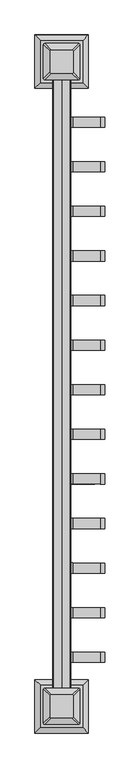
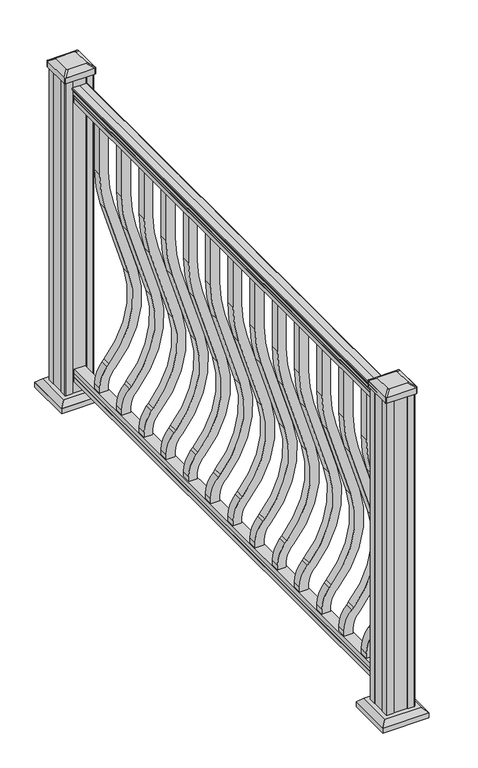
"""IFC4 building model written with IfcOpenShell, lengths in millimetres: railing geometry."""

from ifc_helpers import new_model, si_unit, point, frame, frame_2d, origin, origin_with_axes, place, context, project, spatial, polyline, circle_curve, trimmed, segment, composite_curve, outline, extrude, faceted_brep, source, transform, mapped, element, save
from ifc_brep_helpers import plane_surface, extruded_surface, advanced_brep


def railing_49c89a2a(model_context):
    return source(origin(), model_context, "Body", "SolidModel", [
        extrude(outline(composite_curve([segment(trimmed(circle_curve(frame_2d((32282.6291943, 938.4043297)), 1.2869144), [point((32283.9161087, 938.4043297))], [point((32281.3422799, 938.4043297))], False, "CARTESIAN"), True, "CONTINUOUS"), segment(polyline([(32281.3422799, 938.4043297), (32281.3422799, 927.747013), (32282.3582799, 926.731013), (32282.3582799, 914.4), (32250.6082799, 914.4), (32250.6082799, 926.8888283), (32251.6242799, 927.9048283), (32251.6242799, 938.4043297)]), True, "CONTINUOUS"), segment(trimmed(circle_curve(frame_2d((32250.3373655, 938.4043297)), 1.2869144), [point((32251.6242799, 938.4043297))], [point((32249.0504512, 938.4043297))], False, "CARTESIAN"), True, "CONTINUOUS"), segment(polyline([(32249.0504512, 938.4043297), (32249.0504512, 940.292412)]), True, "CONTINUOUS"), segment(trimmed(circle_curve(frame_2d((32255.3652045, 946.0506383)), 8.545951), [point((32249.0504512, 940.292412))], [point((32247.9202649, 941.8546695))], False, "CARTESIAN"), True, "CONTINUOUS"), segment(trimmed(circle_curve(frame_2d((32254.9281415, 945.4636577)), 7.882584), [point((32247.9202649, 941.8546695))], [point((32247.9202649, 949.0726458))], False, "CARTESIAN"), True, "CONTINUOUS"), segment(trimmed(circle_curve(frame_2d((32244.4148174, 951.3112527)), 4.1592695), [point((32247.9202649, 949.0726458))], [point((32248.5695213, 951.5060812))], True, "CARTESIAN"), True, "CONTINUOUS"), segment(trimmed(circle_curve(frame_2d((32243.1275108, 951.2508864)), 5.4479907), [point((32248.5695213, 951.5060812))], [point((32246.0695213, 955.8362083))], True, "CARTESIAN"), True, "CONTINUOUS"), segment(trimmed(circle_curve(frame_2d((32244.3606693, 955.833395)), 1.7088543), [point((32246.0695213, 955.8362083))], [point((32244.6601788, 957.5157972))], True, "CARTESIAN"), True, "CONTINUOUS"), segment(trimmed(circle_curve(frame_2d((32245.9775693, 958.6205318)), 1.7192895), [point((32244.6601788, 957.5157972))], [point((32244.2582798, 958.6205318))], False, "CARTESIAN"), True, "CONTINUOUS"), segment(polyline([(32244.2582798, 958.6205318), (32244.2582799, 959.9608158)]), True, "CONTINUOUS"), segment(trimmed(circle_curve(frame_2d((32245.8117272, 959.9608158)), 1.5534472), [point((32244.2582799, 959.9608158))], [point((32245.8117272, 961.514263))], False, "CARTESIAN"), True, "CONTINUOUS"), segment(polyline([(32245.8117272, 961.514263), (32266.4832799, 961.514263), (32287.1548327, 961.514263)]), True, "CONTINUOUS"), segment(trimmed(circle_curve(frame_2d((32287.1548327, 959.9608158)), 1.5534472), [point((32287.1548327, 961.514263))], [point((32288.7082799, 959.9608158))], False, "CARTESIAN"), True, "CONTINUOUS"), segment(polyline([(32288.7082799, 959.9608158), (32288.7082799, 958.6205318)]), True, "CONTINUOUS"), segment(trimmed(circle_curve(frame_2d((32286.9889905, 958.6205318)), 1.7192895), [point((32288.7082799, 958.6205318))], [point((32288.306381, 957.5157972))], False, "CARTESIAN"), True, "CONTINUOUS"), segment(trimmed(circle_curve(frame_2d((32288.6058906, 955.833395)), 1.7088543), [point((32288.306381, 957.5157972))], [point((32286.8970385, 955.8362083))], True, "CARTESIAN"), True, "CONTINUOUS"), segment(trimmed(circle_curve(frame_2d((32289.839049, 951.2508864)), 5.4479907), [point((32286.8970385, 955.8362083))], [point((32284.3970385, 951.5060812))], True, "CARTESIAN"), True, "CONTINUOUS"), segment(trimmed(circle_curve(frame_2d((32288.5517425, 951.3112527)), 4.1592695), [point((32284.3970385, 951.5060812))], [point((32285.046295, 949.0726458))], True, "CARTESIAN"), True, "CONTINUOUS"), segment(trimmed(circle_curve(frame_2d((32278.0384183, 945.4636577)), 7.882584), [point((32285.046295, 949.0726458))], [point((32285.046295, 941.8546695))], False, "CARTESIAN"), True, "CONTINUOUS"), segment(trimmed(circle_curve(frame_2d((32277.6013554, 946.0506383)), 8.545951), [point((32285.046295, 941.8546695))], [point((32283.9161087, 940.292412))], False, "CARTESIAN"), True, "CONTINUOUS"), segment(polyline([(32283.9161087, 940.292412), (32283.9161087, 938.4043297)]), True, "CONTINUOUS")], self_intersect=False)), frame((0.0, 28266.5887445, 0.0), z_axis=(0.0, -1.0, 0.0), x_axis=(1.0, 0.0, 0.0)), (0.0, 0.0, 1.0), 1524.0),
        extrude(outline(polyline([(76.0541976, 32282.3957668), (77.3546183, 32281.3797668), (87.7141717, 32281.3797668), (89.0624492, 32282.3957668), (101.5958781, 32282.3957668), (101.5958781, 32250.6457668), (89.0458024, 32250.6457668), (87.6975248, 32251.6617668), (77.3858283, 32251.6617668), (76.0375508, 32250.6457668), (63.5, 32250.6457668), (63.5, 32282.3957668), (76.0541976, 32282.3957668)])), frame((0.0, 26742.5887445, 0.0), z_axis=(0.0, 1.0, 0.0), x_axis=(0.0, 0.0, 1.0)), (0.0, 0.0, 1.0), 1524.0),
        extrude(outline(composite_curve([segment(polyline([(768.63216, 32279.1832799), (914.4, 32279.1832799), (914.4, 32253.7832799), (768.63216, 32253.7832799)]), True, "CONTINUOUS"), segment(trimmed(circle_curve(frame_2d((768.63216, 32626.4832799)), 372.7), [point((768.63216, 32253.7832799))], [point((659.6652257, 32270.0684974))], False, "CARTESIAN"), True, "CONTINUOUS"), segment(polyline([(659.6652257, 32270.0684974), (437.8121964, 32337.8957752)]), True, "CONTINUOUS"), segment(trimmed(circle_curve(frame_2d((359.6612397, 32082.2755139)), 267.3), [point((437.8121964, 32337.8957752))], [point((181.5522516, 32281.5905368))], True, "CARTESIAN"), True, "CONTINUOUS"), segment(polyline([(181.5522516, 32281.5905368), (175.3955374, 32276.0888635)]), True, "CONTINUOUS"), segment(trimmed(circle_curve(frame_2d((116.9587313, 32341.4832799)), 87.7), [point((175.3955374, 32276.0888635))], [point((116.9587313, 32253.7832799))], False, "CARTESIAN"), True, "CONTINUOUS"), segment(polyline([(116.9587313, 32253.7832799), (101.5958781, 32253.7832799), (101.5958781, 32279.1832799), (116.9587313, 32279.1832799)]), True, "CONTINUOUS"), segment(trimmed(circle_curve(frame_2d((116.9587313, 32341.4832799)), 62.3), [point((116.9587313, 32279.1832799))], [point((158.4708524, 32295.0286375))], True, "CARTESIAN"), True, "CONTINUOUS"), segment(polyline([(158.4708524, 32295.0286375), (164.6275666, 32300.5303107)]), True, "CONTINUOUS"), segment(trimmed(circle_curve(frame_2d((359.6612397, 32082.2755139)), 292.7), [point((164.6275666, 32300.5303107))], [point((445.2384377, 32362.185916))], False, "CARTESIAN"), True, "CONTINUOUS"), segment(polyline([(445.2384377, 32362.185916), (667.091467, 32294.3586382)]), True, "CONTINUOUS"), segment(trimmed(circle_curve(frame_2d((768.63216, 32626.4832799)), 347.3), [point((667.091467, 32294.3586382))], [point((768.63216, 32279.1832799))], True, "CARTESIAN"), True, "CONTINUOUS")], self_intersect=False)), frame((0.0, 28144.3512445, 0.0), z_axis=(0.0, 1.0, 0.0), x_axis=(0.0, 0.0, 1.0)), (0.0, 0.0, 1.0), 25.4),
        extrude(outline(composite_curve([segment(polyline([(768.63216, 32279.1832799), (914.4, 32279.1832799), (914.4, 32253.7832799), (768.63216, 32253.7832799)]), True, "CONTINUOUS"), segment(trimmed(circle_curve(frame_2d((768.63216, 32626.4832799)), 372.7), [point((768.63216, 32253.7832799))], [point((659.6652257, 32270.0684974))], False, "CARTESIAN"), True, "CONTINUOUS"), segment(polyline([(659.6652257, 32270.0684974), (437.8121964, 32337.8957752)]), True, "CONTINUOUS"), segment(trimmed(circle_curve(frame_2d((359.6612397, 32082.2755139)), 267.3), [point((437.8121964, 32337.8957752))], [point((181.5522516, 32281.5905368))], True, "CARTESIAN"), True, "CONTINUOUS"), segment(polyline([(181.5522516, 32281.5905368), (175.3955374, 32276.0888635)]), True, "CONTINUOUS"), segment(trimmed(circle_curve(frame_2d((116.9587313, 32341.4832799)), 87.7), [point((175.3955374, 32276.0888635))], [point((116.9587313, 32253.7832799))], False, "CARTESIAN"), True, "CONTINUOUS"), segment(polyline([(116.9587313, 32253.7832799), (101.5958781, 32253.7832799), (101.5958781, 32279.1832799), (116.9587313, 32279.1832799)]), True, "CONTINUOUS"), segment(trimmed(circle_curve(frame_2d((116.9587313, 32341.4832799)), 62.3), [point((116.9587313, 32279.1832799))], [point((158.4708524, 32295.0286375))], True, "CARTESIAN"), True, "CONTINUOUS"), segment(polyline([(158.4708524, 32295.0286375), (164.6275666, 32300.5303107)]), True, "CONTINUOUS"), segment(trimmed(circle_curve(frame_2d((359.6612397, 32082.2755139)), 292.7), [point((164.6275666, 32300.5303107))], [point((445.2384377, 32362.185916))], False, "CARTESIAN"), True, "CONTINUOUS"), segment(polyline([(445.2384377, 32362.185916), (667.091467, 32294.3586382)]), True, "CONTINUOUS"), segment(trimmed(circle_curve(frame_2d((768.63216, 32626.4832799)), 347.3), [point((667.091467, 32294.3586382))], [point((768.63216, 32279.1832799))], True, "CARTESIAN"), True, "CONTINUOUS")], self_intersect=False)), frame((0.0, 28033.2262445, 0.0), z_axis=(0.0, 1.0, 0.0), x_axis=(0.0, 0.0, 1.0)), (0.0, 0.0, 1.0), 25.4),
        extrude(outline(composite_curve([segment(polyline([(768.63216, 32279.1832799), (914.4, 32279.1832799), (914.4, 32253.7832799), (768.63216, 32253.7832799)]), True, "CONTINUOUS"), segment(trimmed(circle_curve(frame_2d((768.63216, 32626.4832799)), 372.7), [point((768.63216, 32253.7832799))], [point((659.6652257, 32270.0684974))], False, "CARTESIAN"), True, "CONTINUOUS"), segment(polyline([(659.6652257, 32270.0684974), (437.8121964, 32337.8957752)]), True, "CONTINUOUS"), segment(trimmed(circle_curve(frame_2d((359.6612397, 32082.2755139)), 267.3), [point((437.8121964, 32337.8957752))], [point((181.5522516, 32281.5905368))], True, "CARTESIAN"), True, "CONTINUOUS"), segment(polyline([(181.5522516, 32281.5905368), (175.3955374, 32276.0888635)]), True, "CONTINUOUS"), segment(trimmed(circle_curve(frame_2d((116.9587313, 32341.4832799)), 87.7), [point((175.3955374, 32276.0888635))], [point((116.9587313, 32253.7832799))], False, "CARTESIAN"), True, "CONTINUOUS"), segment(polyline([(116.9587313, 32253.7832799), (101.5958781, 32253.7832799), (101.5958781, 32279.1832799), (116.9587313, 32279.1832799)]), True, "CONTINUOUS"), segment(trimmed(circle_curve(frame_2d((116.9587313, 32341.4832799)), 62.3), [point((116.9587313, 32279.1832799))], [point((158.4708524, 32295.0286375))], True, "CARTESIAN"), True, "CONTINUOUS"), segment(polyline([(158.4708524, 32295.0286375), (164.6275666, 32300.5303107)]), True, "CONTINUOUS"), segment(trimmed(circle_curve(frame_2d((359.6612397, 32082.2755139)), 292.7), [point((164.6275666, 32300.5303107))], [point((445.2384377, 32362.185916))], False, "CARTESIAN"), True, "CONTINUOUS"), segment(polyline([(445.2384377, 32362.185916), (667.091467, 32294.3586382)]), True, "CONTINUOUS"), segment(trimmed(circle_curve(frame_2d((768.63216, 32626.4832799)), 347.3), [point((667.091467, 32294.3586382))], [point((768.63216, 32279.1832799))], True, "CARTESIAN"), True, "CONTINUOUS")], self_intersect=False)), frame((0.0, 27922.1012445, 0.0), z_axis=(0.0, 1.0, 0.0), x_axis=(0.0, 0.0, 1.0)), (0.0, 0.0, 1.0), 25.4),
        extrude(outline(composite_curve([segment(polyline([(768.63216, 32279.1832799), (914.4, 32279.1832799), (914.4, 32253.7832799), (768.63216, 32253.7832799)]), True, "CONTINUOUS"), segment(trimmed(circle_curve(frame_2d((768.63216, 32626.4832799)), 372.7), [point((768.63216, 32253.7832799))], [point((659.6652257, 32270.0684974))], False, "CARTESIAN"), True, "CONTINUOUS"), segment(polyline([(659.6652257, 32270.0684974), (437.8121964, 32337.8957752)]), True, "CONTINUOUS"), segment(trimmed(circle_curve(frame_2d((359.6612397, 32082.2755139)), 267.3), [point((437.8121964, 32337.8957752))], [point((181.5522516, 32281.5905368))], True, "CARTESIAN"), True, "CONTINUOUS"), segment(polyline([(181.5522516, 32281.5905368), (175.3955374, 32276.0888635)]), True, "CONTINUOUS"), segment(trimmed(circle_curve(frame_2d((116.9587313, 32341.4832799)), 87.7), [point((175.3955374, 32276.0888635))], [point((116.9587313, 32253.7832799))], False, "CARTESIAN"), True, "CONTINUOUS"), segment(polyline([(116.9587313, 32253.7832799), (101.5958781, 32253.7832799), (101.5958781, 32279.1832799), (116.9587313, 32279.1832799)]), True, "CONTINUOUS"), segment(trimmed(circle_curve(frame_2d((116.9587313, 32341.4832799)), 62.3), [point((116.9587313, 32279.1832799))], [point((158.4708524, 32295.0286375))], True, "CARTESIAN"), True, "CONTINUOUS"), segment(polyline([(158.4708524, 32295.0286375), (164.6275666, 32300.5303107)]), True, "CONTINUOUS"), segment(trimmed(circle_curve(frame_2d((359.6612397, 32082.2755139)), 292.7), [point((164.6275666, 32300.5303107))], [point((445.2384377, 32362.185916))], False, "CARTESIAN"), True, "CONTINUOUS"), segment(polyline([(445.2384377, 32362.185916), (667.091467, 32294.3586382)]), True, "CONTINUOUS"), segment(trimmed(circle_curve(frame_2d((768.63216, 32626.4832799)), 347.3), [point((667.091467, 32294.3586382))], [point((768.63216, 32279.1832799))], True, "CARTESIAN"), True, "CONTINUOUS")], self_intersect=False)), frame((0.0, 27810.9762445, 0.0), z_axis=(0.0, 1.0, 0.0), x_axis=(0.0, 0.0, 1.0)), (0.0, 0.0, 1.0), 25.4),
        extrude(outline(composite_curve([segment(polyline([(768.63216, 32279.1832799), (914.4, 32279.1832799), (914.4, 32253.7832799), (768.63216, 32253.7832799)]), True, "CONTINUOUS"), segment(trimmed(circle_curve(frame_2d((768.63216, 32626.4832799)), 372.7), [point((768.63216, 32253.7832799))], [point((659.6652257, 32270.0684974))], False, "CARTESIAN"), True, "CONTINUOUS"), segment(polyline([(659.6652257, 32270.0684974), (437.8121964, 32337.8957752)]), True, "CONTINUOUS"), segment(trimmed(circle_curve(frame_2d((359.6612397, 32082.2755139)), 267.3), [point((437.8121964, 32337.8957752))], [point((181.5522516, 32281.5905368))], True, "CARTESIAN"), True, "CONTINUOUS"), segment(polyline([(181.5522516, 32281.5905368), (175.3955374, 32276.0888635)]), True, "CONTINUOUS"), segment(trimmed(circle_curve(frame_2d((116.9587313, 32341.4832799)), 87.7), [point((175.3955374, 32276.0888635))], [point((116.9587313, 32253.7832799))], False, "CARTESIAN"), True, "CONTINUOUS"), segment(polyline([(116.9587313, 32253.7832799), (101.5958781, 32253.7832799), (101.5958781, 32279.1832799), (116.9587313, 32279.1832799)]), True, "CONTINUOUS"), segment(trimmed(circle_curve(frame_2d((116.9587313, 32341.4832799)), 62.3), [point((116.9587313, 32279.1832799))], [point((158.4708524, 32295.0286375))], True, "CARTESIAN"), True, "CONTINUOUS"), segment(polyline([(158.4708524, 32295.0286375), (164.6275666, 32300.5303107)]), True, "CONTINUOUS"), segment(trimmed(circle_curve(frame_2d((359.6612397, 32082.2755139)), 292.7), [point((164.6275666, 32300.5303107))], [point((445.2384377, 32362.185916))], False, "CARTESIAN"), True, "CONTINUOUS"), segment(polyline([(445.2384377, 32362.185916), (667.091467, 32294.3586382)]), True, "CONTINUOUS"), segment(trimmed(circle_curve(frame_2d((768.63216, 32626.4832799)), 347.3), [point((667.091467, 32294.3586382))], [point((768.63216, 32279.1832799))], True, "CARTESIAN"), True, "CONTINUOUS")], self_intersect=False)), frame((0.0, 27699.8512445, 0.0), z_axis=(0.0, 1.0, 0.0), x_axis=(0.0, 0.0, 1.0)), (0.0, 0.0, 1.0), 25.4),
        extrude(outline(composite_curve([segment(polyline([(768.63216, 32279.1832799), (914.4, 32279.1832799), (914.4, 32253.7832799), (768.63216, 32253.7832799)]), True, "CONTINUOUS"), segment(trimmed(circle_curve(frame_2d((768.63216, 32626.4832799)), 372.7), [point((768.63216, 32253.7832799))], [point((659.6652257, 32270.0684974))], False, "CARTESIAN"), True, "CONTINUOUS"), segment(polyline([(659.6652257, 32270.0684974), (437.8121964, 32337.8957752)]), True, "CONTINUOUS"), segment(trimmed(circle_curve(frame_2d((359.6612397, 32082.2755139)), 267.3), [point((437.8121964, 32337.8957752))], [point((181.5522516, 32281.5905368))], True, "CARTESIAN"), True, "CONTINUOUS"), segment(polyline([(181.5522516, 32281.5905368), (175.3955374, 32276.0888635)]), True, "CONTINUOUS"), segment(trimmed(circle_curve(frame_2d((116.9587313, 32341.4832799)), 87.7), [point((175.3955374, 32276.0888635))], [point((116.9587313, 32253.7832799))], False, "CARTESIAN"), True, "CONTINUOUS"), segment(polyline([(116.9587313, 32253.7832799), (101.5958781, 32253.7832799), (101.5958781, 32279.1832799), (116.9587313, 32279.1832799)]), True, "CONTINUOUS"), segment(trimmed(circle_curve(frame_2d((116.9587313, 32341.4832799)), 62.3), [point((116.9587313, 32279.1832799))], [point((158.4708524, 32295.0286375))], True, "CARTESIAN"), True, "CONTINUOUS"), segment(polyline([(158.4708524, 32295.0286375), (164.6275666, 32300.5303107)]), True, "CONTINUOUS"), segment(trimmed(circle_curve(frame_2d((359.6612397, 32082.2755139)), 292.7), [point((164.6275666, 32300.5303107))], [point((445.2384377, 32362.185916))], False, "CARTESIAN"), True, "CONTINUOUS"), segment(polyline([(445.2384377, 32362.185916), (667.091467, 32294.3586382)]), True, "CONTINUOUS"), segment(trimmed(circle_curve(frame_2d((768.63216, 32626.4832799)), 347.3), [point((667.091467, 32294.3586382))], [point((768.63216, 32279.1832799))], True, "CARTESIAN"), True, "CONTINUOUS")], self_intersect=False)), frame((0.0, 27588.7262445, 0.0), z_axis=(0.0, 1.0, 0.0), x_axis=(0.0, 0.0, 1.0)), (0.0, 0.0, 1.0), 25.4),
        extrude(outline(composite_curve([segment(polyline([(768.63216, 32279.1832799), (914.4, 32279.1832799), (914.4, 32253.7832799), (768.63216, 32253.7832799)]), True, "CONTINUOUS"), segment(trimmed(circle_curve(frame_2d((768.63216, 32626.4832799)), 372.7), [point((768.63216, 32253.7832799))], [point((659.6652257, 32270.0684974))], False, "CARTESIAN"), True, "CONTINUOUS"), segment(polyline([(659.6652257, 32270.0684974), (437.8121964, 32337.8957752)]), True, "CONTINUOUS"), segment(trimmed(circle_curve(frame_2d((359.6612397, 32082.2755139)), 267.3), [point((437.8121964, 32337.8957752))], [point((181.5522516, 32281.5905368))], True, "CARTESIAN"), True, "CONTINUOUS"), segment(polyline([(181.5522516, 32281.5905368), (175.3955374, 32276.0888635)]), True, "CONTINUOUS"), segment(trimmed(circle_curve(frame_2d((116.9587313, 32341.4832799)), 87.7), [point((175.3955374, 32276.0888635))], [point((116.9587313, 32253.7832799))], False, "CARTESIAN"), True, "CONTINUOUS"), segment(polyline([(116.9587313, 32253.7832799), (101.5958781, 32253.7832799), (101.5958781, 32279.1832799), (116.9587313, 32279.1832799)]), True, "CONTINUOUS"), segment(trimmed(circle_curve(frame_2d((116.9587313, 32341.4832799)), 62.3), [point((116.9587313, 32279.1832799))], [point((158.4708524, 32295.0286375))], True, "CARTESIAN"), True, "CONTINUOUS"), segment(polyline([(158.4708524, 32295.0286375), (164.6275666, 32300.5303107)]), True, "CONTINUOUS"), segment(trimmed(circle_curve(frame_2d((359.6612397, 32082.2755139)), 292.7), [point((164.6275666, 32300.5303107))], [point((445.2384377, 32362.185916))], False, "CARTESIAN"), True, "CONTINUOUS"), segment(polyline([(445.2384377, 32362.185916), (667.091467, 32294.3586382)]), True, "CONTINUOUS"), segment(trimmed(circle_curve(frame_2d((768.63216, 32626.4832799)), 347.3), [point((667.091467, 32294.3586382))], [point((768.63216, 32279.1832799))], True, "CARTESIAN"), True, "CONTINUOUS")], self_intersect=False)), frame((0.0, 27477.6012445, 0.0), z_axis=(0.0, 1.0, 0.0), x_axis=(0.0, 0.0, 1.0)), (0.0, 0.0, 1.0), 25.4),
        extrude(outline(composite_curve([segment(polyline([(768.63216, 32279.1832799), (914.4, 32279.1832799), (914.4, 32253.7832799), (768.63216, 32253.7832799)]), True, "CONTINUOUS"), segment(trimmed(circle_curve(frame_2d((768.63216, 32626.4832799)), 372.7), [point((768.63216, 32253.7832799))], [point((659.6652257, 32270.0684974))], False, "CARTESIAN"), True, "CONTINUOUS"), segment(polyline([(659.6652257, 32270.0684974), (437.8121964, 32337.8957752)]), True, "CONTINUOUS"), segment(trimmed(circle_curve(frame_2d((359.6612397, 32082.2755139)), 267.3), [point((437.8121964, 32337.8957752))], [point((181.5522516, 32281.5905368))], True, "CARTESIAN"), True, "CONTINUOUS"), segment(polyline([(181.5522516, 32281.5905368), (175.3955374, 32276.0888635)]), True, "CONTINUOUS"), segment(trimmed(circle_curve(frame_2d((116.9587313, 32341.4832799)), 87.7), [point((175.3955374, 32276.0888635))], [point((116.9587313, 32253.7832799))], False, "CARTESIAN"), True, "CONTINUOUS"), segment(polyline([(116.9587313, 32253.7832799), (101.5958781, 32253.7832799), (101.5958781, 32279.1832799), (116.9587313, 32279.1832799)]), True, "CONTINUOUS"), segment(trimmed(circle_curve(frame_2d((116.9587313, 32341.4832799)), 62.3), [point((116.9587313, 32279.1832799))], [point((158.4708524, 32295.0286375))], True, "CARTESIAN"), True, "CONTINUOUS"), segment(polyline([(158.4708524, 32295.0286375), (164.6275666, 32300.5303107)]), True, "CONTINUOUS"), segment(trimmed(circle_curve(frame_2d((359.6612397, 32082.2755139)), 292.7), [point((164.6275666, 32300.5303107))], [point((445.2384377, 32362.185916))], False, "CARTESIAN"), True, "CONTINUOUS"), segment(polyline([(445.2384377, 32362.185916), (667.091467, 32294.3586382)]), True, "CONTINUOUS"), segment(trimmed(circle_curve(frame_2d((768.63216, 32626.4832799)), 347.3), [point((667.091467, 32294.3586382))], [point((768.63216, 32279.1832799))], True, "CARTESIAN"), True, "CONTINUOUS")], self_intersect=False)), frame((0.0, 27366.4762445, 0.0), z_axis=(0.0, 1.0, 0.0), x_axis=(0.0, 0.0, 1.0)), (0.0, 0.0, 1.0), 25.4),
        extrude(outline(composite_curve([segment(polyline([(768.63216, 32279.1832799), (914.4, 32279.1832799), (914.4, 32253.7832799), (768.63216, 32253.7832799)]), True, "CONTINUOUS"), segment(trimmed(circle_curve(frame_2d((768.63216, 32626.4832799)), 372.7), [point((768.63216, 32253.7832799))], [point((659.6652257, 32270.0684974))], False, "CARTESIAN"), True, "CONTINUOUS"), segment(polyline([(659.6652257, 32270.0684974), (437.8121964, 32337.8957752)]), True, "CONTINUOUS"), segment(trimmed(circle_curve(frame_2d((359.6612397, 32082.2755139)), 267.3), [point((437.8121964, 32337.8957752))], [point((181.5522516, 32281.5905368))], True, "CARTESIAN"), True, "CONTINUOUS"), segment(polyline([(181.5522516, 32281.5905368), (175.3955374, 32276.0888635)]), True, "CONTINUOUS"), segment(trimmed(circle_curve(frame_2d((116.9587313, 32341.4832799)), 87.7), [point((175.3955374, 32276.0888635))], [point((116.9587313, 32253.7832799))], False, "CARTESIAN"), True, "CONTINUOUS"), segment(polyline([(116.9587313, 32253.7832799), (101.5958781, 32253.7832799), (101.5958781, 32279.1832799), (116.9587313, 32279.1832799)]), True, "CONTINUOUS"), segment(trimmed(circle_curve(frame_2d((116.9587313, 32341.4832799)), 62.3), [point((116.9587313, 32279.1832799))], [point((158.4708524, 32295.0286375))], True, "CARTESIAN"), True, "CONTINUOUS"), segment(polyline([(158.4708524, 32295.0286375), (164.6275666, 32300.5303107)]), True, "CONTINUOUS"), segment(trimmed(circle_curve(frame_2d((359.6612397, 32082.2755139)), 292.7), [point((164.6275666, 32300.5303107))], [point((445.2384377, 32362.185916))], False, "CARTESIAN"), True, "CONTINUOUS"), segment(polyline([(445.2384377, 32362.185916), (667.091467, 32294.3586382)]), True, "CONTINUOUS"), segment(trimmed(circle_curve(frame_2d((768.63216, 32626.4832799)), 347.3), [point((667.091467, 32294.3586382))], [point((768.63216, 32279.1832799))], True, "CARTESIAN"), True, "CONTINUOUS")], self_intersect=False)), frame((0.0, 27255.3512445, 0.0), z_axis=(0.0, 1.0, 0.0), x_axis=(0.0, 0.0, 1.0)), (0.0, 0.0, 1.0), 25.4),
        extrude(outline(composite_curve([segment(polyline([(768.63216, 32279.1832799), (914.4, 32279.1832799), (914.4, 32253.7832799), (768.63216, 32253.7832799)]), True, "CONTINUOUS"), segment(trimmed(circle_curve(frame_2d((768.63216, 32626.4832799)), 372.7), [point((768.63216, 32253.7832799))], [point((659.6652257, 32270.0684974))], False, "CARTESIAN"), True, "CONTINUOUS"), segment(polyline([(659.6652257, 32270.0684974), (437.8121964, 32337.8957752)]), True, "CONTINUOUS"), segment(trimmed(circle_curve(frame_2d((359.6612397, 32082.2755139)), 267.3), [point((437.8121964, 32337.8957752))], [point((181.5522516, 32281.5905368))], True, "CARTESIAN"), True, "CONTINUOUS"), segment(polyline([(181.5522516, 32281.5905368), (175.3955374, 32276.0888635)]), True, "CONTINUOUS"), segment(trimmed(circle_curve(frame_2d((116.9587313, 32341.4832799)), 87.7), [point((175.3955374, 32276.0888635))], [point((116.9587313, 32253.7832799))], False, "CARTESIAN"), True, "CONTINUOUS"), segment(polyline([(116.9587313, 32253.7832799), (101.5958781, 32253.7832799), (101.5958781, 32279.1832799), (116.9587313, 32279.1832799)]), True, "CONTINUOUS"), segment(trimmed(circle_curve(frame_2d((116.9587313, 32341.4832799)), 62.3), [point((116.9587313, 32279.1832799))], [point((158.4708524, 32295.0286375))], True, "CARTESIAN"), True, "CONTINUOUS"), segment(polyline([(158.4708524, 32295.0286375), (164.6275666, 32300.5303107)]), True, "CONTINUOUS"), segment(trimmed(circle_curve(frame_2d((359.6612397, 32082.2755139)), 292.7), [point((164.6275666, 32300.5303107))], [point((445.2384377, 32362.185916))], False, "CARTESIAN"), True, "CONTINUOUS"), segment(polyline([(445.2384377, 32362.185916), (667.091467, 32294.3586382)]), True, "CONTINUOUS"), segment(trimmed(circle_curve(frame_2d((768.63216, 32626.4832799)), 347.3), [point((667.091467, 32294.3586382))], [point((768.63216, 32279.1832799))], True, "CARTESIAN"), True, "CONTINUOUS")], self_intersect=False)), frame((0.0, 27144.2262445, 0.0), z_axis=(0.0, 1.0, 0.0), x_axis=(0.0, 0.0, 1.0)), (0.0, 0.0, 1.0), 25.4),
        extrude(outline(composite_curve([segment(polyline([(768.63216, 32279.1832799), (914.4, 32279.1832799), (914.4, 32253.7832799), (768.63216, 32253.7832799)]), True, "CONTINUOUS"), segment(trimmed(circle_curve(frame_2d((768.63216, 32626.4832799)), 372.7), [point((768.63216, 32253.7832799))], [point((659.6652257, 32270.0684974))], False, "CARTESIAN"), True, "CONTINUOUS"), segment(polyline([(659.6652257, 32270.0684974), (437.8121964, 32337.8957752)]), True, "CONTINUOUS"), segment(trimmed(circle_curve(frame_2d((359.6612397, 32082.2755139)), 267.3), [point((437.8121964, 32337.8957752))], [point((181.5522516, 32281.5905368))], True, "CARTESIAN"), True, "CONTINUOUS"), segment(polyline([(181.5522516, 32281.5905368), (175.3955374, 32276.0888635)]), True, "CONTINUOUS"), segment(trimmed(circle_curve(frame_2d((116.9587313, 32341.4832799)), 87.7), [point((175.3955374, 32276.0888635))], [point((116.9587313, 32253.7832799))], False, "CARTESIAN"), True, "CONTINUOUS"), segment(polyline([(116.9587313, 32253.7832799), (101.5958781, 32253.7832799), (101.5958781, 32279.1832799), (116.9587313, 32279.1832799)]), True, "CONTINUOUS"), segment(trimmed(circle_curve(frame_2d((116.9587313, 32341.4832799)), 62.3), [point((116.9587313, 32279.1832799))], [point((158.4708524, 32295.0286375))], True, "CARTESIAN"), True, "CONTINUOUS"), segment(polyline([(158.4708524, 32295.0286375), (164.6275666, 32300.5303107)]), True, "CONTINUOUS"), segment(trimmed(circle_curve(frame_2d((359.6612397, 32082.2755139)), 292.7), [point((164.6275666, 32300.5303107))], [point((445.2384377, 32362.185916))], False, "CARTESIAN"), True, "CONTINUOUS"), segment(polyline([(445.2384377, 32362.185916), (667.091467, 32294.3586382)]), True, "CONTINUOUS"), segment(trimmed(circle_curve(frame_2d((768.63216, 32626.4832799)), 347.3), [point((667.091467, 32294.3586382))], [point((768.63216, 32279.1832799))], True, "CARTESIAN"), True, "CONTINUOUS")], self_intersect=False)), frame((0.0, 27033.1012445, 0.0), z_axis=(0.0, 1.0, 0.0), x_axis=(0.0, 0.0, 1.0)), (0.0, 0.0, 1.0), 25.4),
        extrude(outline(composite_curve([segment(polyline([(768.63216, 32279.1832799), (914.4, 32279.1832799), (914.4, 32253.7832799), (768.63216, 32253.7832799)]), True, "CONTINUOUS"), segment(trimmed(circle_curve(frame_2d((768.63216, 32626.4832799)), 372.7), [point((768.63216, 32253.7832799))], [point((659.6652257, 32270.0684974))], False, "CARTESIAN"), True, "CONTINUOUS"), segment(polyline([(659.6652257, 32270.0684974), (437.8121964, 32337.8957752)]), True, "CONTINUOUS"), segment(trimmed(circle_curve(frame_2d((359.6612397, 32082.2755139)), 267.3), [point((437.8121964, 32337.8957752))], [point((181.5522516, 32281.5905368))], True, "CARTESIAN"), True, "CONTINUOUS"), segment(polyline([(181.5522516, 32281.5905368), (175.3955374, 32276.0888635)]), True, "CONTINUOUS"), segment(trimmed(circle_curve(frame_2d((116.9587313, 32341.4832799)), 87.7), [point((175.3955374, 32276.0888635))], [point((116.9587313, 32253.7832799))], False, "CARTESIAN"), True, "CONTINUOUS"), segment(polyline([(116.9587313, 32253.7832799), (101.5958781, 32253.7832799), (101.5958781, 32279.1832799), (116.9587313, 32279.1832799)]), True, "CONTINUOUS"), segment(trimmed(circle_curve(frame_2d((116.9587313, 32341.4832799)), 62.3), [point((116.9587313, 32279.1832799))], [point((158.4708524, 32295.0286375))], True, "CARTESIAN"), True, "CONTINUOUS"), segment(polyline([(158.4708524, 32295.0286375), (164.6275666, 32300.5303107)]), True, "CONTINUOUS"), segment(trimmed(circle_curve(frame_2d((359.6612397, 32082.2755139)), 292.7), [point((164.6275666, 32300.5303107))], [point((445.2384377, 32362.185916))], False, "CARTESIAN"), True, "CONTINUOUS"), segment(polyline([(445.2384377, 32362.185916), (667.091467, 32294.3586382)]), True, "CONTINUOUS"), segment(trimmed(circle_curve(frame_2d((768.63216, 32626.4832799)), 347.3), [point((667.091467, 32294.3586382))], [point((768.63216, 32279.1832799))], True, "CARTESIAN"), True, "CONTINUOUS")], self_intersect=False)), frame((0.0, 26921.9762445, 0.0), z_axis=(0.0, 1.0, 0.0), x_axis=(0.0, 0.0, 1.0)), (0.0, 0.0, 1.0), 25.4),
        extrude(outline(composite_curve([segment(polyline([(768.63216, 32279.1832799), (914.4, 32279.1832799), (914.4, 32253.7832799), (768.63216, 32253.7832799)]), True, "CONTINUOUS"), segment(trimmed(circle_curve(frame_2d((768.63216, 32626.4832799)), 372.7), [point((768.63216, 32253.7832799))], [point((659.6652257, 32270.0684974))], False, "CARTESIAN"), True, "CONTINUOUS"), segment(polyline([(659.6652257, 32270.0684974), (437.8121964, 32337.8957752)]), True, "CONTINUOUS"), segment(trimmed(circle_curve(frame_2d((359.6612397, 32082.2755139)), 267.3), [point((437.8121964, 32337.8957752))], [point((181.5522516, 32281.5905368))], True, "CARTESIAN"), True, "CONTINUOUS"), segment(polyline([(181.5522516, 32281.5905368), (175.3955374, 32276.0888635)]), True, "CONTINUOUS"), segment(trimmed(circle_curve(frame_2d((116.9587313, 32341.4832799)), 87.7), [point((175.3955374, 32276.0888635))], [point((116.9587313, 32253.7832799))], False, "CARTESIAN"), True, "CONTINUOUS"), segment(polyline([(116.9587313, 32253.7832799), (101.5958781, 32253.7832799), (101.5958781, 32279.1832799), (116.9587313, 32279.1832799)]), True, "CONTINUOUS"), segment(trimmed(circle_curve(frame_2d((116.9587313, 32341.4832799)), 62.3), [point((116.9587313, 32279.1832799))], [point((158.4708524, 32295.0286375))], True, "CARTESIAN"), True, "CONTINUOUS"), segment(polyline([(158.4708524, 32295.0286375), (164.6275666, 32300.5303107)]), True, "CONTINUOUS"), segment(trimmed(circle_curve(frame_2d((359.6612397, 32082.2755139)), 292.7), [point((164.6275666, 32300.5303107))], [point((445.2384377, 32362.185916))], False, "CARTESIAN"), True, "CONTINUOUS"), segment(polyline([(445.2384377, 32362.185916), (667.091467, 32294.3586382)]), True, "CONTINUOUS"), segment(trimmed(circle_curve(frame_2d((768.63216, 32626.4832799)), 347.3), [point((667.091467, 32294.3586382))], [point((768.63216, 32279.1832799))], True, "CARTESIAN"), True, "CONTINUOUS")], self_intersect=False)), frame((0.0, 26810.8512445, 0.0), z_axis=(0.0, 1.0, 0.0), x_axis=(0.0, 0.0, 1.0)), (0.0, 0.0, 1.0), 25.4),
        faceted_brep([(32319.0692174, 28255.277807, 28.575), (32319.0692174, 28360.449682, 28.575), (32213.8973424, 28360.449682, 28.575), (32213.8973424, 28255.277807, 28.575), (32333.1086705, 28241.2383539, 15.24), (32199.8578893, 28241.2383539, 15.24), (32199.8578893, 28374.4891351, 15.24), (32333.1086705, 28374.4891351, 15.24)], [[[0, 1, 2, 3]], [[4, 5, 6, 7]], [[4, 0, 3, 5]], [[5, 3, 2, 6]], [[6, 2, 1, 7]], [[7, 1, 0, 4]]]),
        extrude(outline(polyline([(32333.1086705, 28241.2383539), (32199.8578893, 28241.2383539), (32199.8578893, 28374.4891351), (32333.1086705, 28374.4891351), (32333.1086705, 28241.2383539)])), origin_with_axes(), (0.0, 0.0, 1.0), 15.24),
        advanced_brep(
        [(32240.6864049, 28278.8918695, 1012.825), (32292.2801549, 28278.8918695, 1012.825), (32295.4551549, 28282.0668695, 1012.825), (32295.4551549, 28333.6606195, 1012.825), (32292.2801549, 28336.8356195, 1012.825), (32240.6864049, 28336.8356195, 1012.825), (32237.5114049, 28333.6606195, 1012.825), (32237.5114049, 28282.0668695, 1012.825), (32224.4145299, 28262.6199945, 1001.522), (32221.2395299, 28265.7949945, 1001.522), (32221.2395299, 28349.9324945, 1001.522), (32224.4145299, 28353.1074945, 1001.522), (32308.5520299, 28353.1074945, 1001.522), (32311.7270299, 28349.9324945, 1001.522), (32311.7270299, 28265.7949945, 1001.522), (32308.5520299, 28262.6199945, 1001.522)],
        [
            (0, 1),
            (1, 2, circle_curve(frame((32292.2801549, 28282.0668695, 1012.825), z_axis=(0.0, 0.0, 1.0), x_axis=(0.0, 1.0, 0.0)), 3.175)),
            (2, 3),
            (3, 4, circle_curve(frame((32292.2801549, 28333.6606195, 1012.825), z_axis=(0.0, 0.0, 1.0), x_axis=(0.0, 1.0, 0.0)), 3.175)),
            (4, 5),
            (5, 6, circle_curve(frame((32240.6864049, 28333.6606195, 1012.825), z_axis=(0.0, 0.0, 1.0), x_axis=(0.0, 1.0, 0.0)), 3.175)),
            (6, 7),
            (7, 0, circle_curve(frame((32240.6864049, 28282.0668695, 1012.825), z_axis=(0.0, 0.0, 1.0), x_axis=(0.0, 1.0, 0.0)), 3.175)),
            (8, 9, circle_curve(frame((32224.4145299, 28265.7949945, 1001.522), z_axis=(0.0, 0.0, -1.0), x_axis=(0.0, 1.0, 0.0)), 3.175)),
            (9, 10),
            (10, 11, circle_curve(frame((32224.4145299, 28349.9324945, 1001.522), z_axis=(0.0, 0.0, -1.0), x_axis=(0.0, 1.0, 0.0)), 3.175)),
            (11, 12),
            (12, 13, circle_curve(frame((32308.5520299, 28349.9324945, 1001.522), z_axis=(0.0, 0.0, -1.0), x_axis=(0.0, 1.0, 0.0)), 3.175)),
            (13, 14),
            (14, 15, circle_curve(frame((32308.5520299, 28265.7949945, 1001.522), z_axis=(0.0, 0.0, -1.0), x_axis=(0.0, 1.0, 0.0)), 3.175)),
            (15, 8),
            (8, 0),
            (7, 9),
            (6, 10),
            (5, 11),
            (4, 12),
            (3, 13),
            (2, 14),
            (1, 15),
        ],
        [
            plane_surface(frame((32266.4832799, 28307.8637445, 1012.825), z_axis=(0.0, 0.0, 1.0), x_axis=(-1.0, 0.0, 0.0))),
            plane_surface(frame((32266.4832799, 28307.8637445, 1001.522), z_axis=(0.0, 0.0, -1.0), x_axis=(-1.0, 0.0, 0.0))),
            extruded_surface(trimmed(circle_curve(frame((32240.6864049, 28282.0668695, 1012.825), z_axis=(0.0, 0.0, -1.0), x_axis=(0.0, 1.0, 0.0)), 3.175), [point((32240.6864049, 28278.8918695, 1012.825))], [point((32237.5114049, 28282.0668695, 1012.825))], True, "CARTESIAN"), (-16.271874999998545, -16.271874999998545, -11.302999999999997), 25.637972638864316),
            plane_surface(frame((32221.2395299, 28307.8637445, 1001.522), z_axis=(-0.5705009161540779, 0.0, 0.8212969649690408), x_axis=(0.0, 1.0, 0.0))),
            extruded_surface(trimmed(circle_curve(frame((32240.6864049, 28333.6606195, 1012.825), z_axis=(0.0, 0.0, -1.0), x_axis=(0.0, 1.0, 0.0)), 3.175), [point((32237.5114049, 28333.6606195, 1012.825))], [point((32240.6864049, 28336.8356195, 1012.825))], True, "CARTESIAN"), (-16.271874999998545, 16.271875000002183, -11.302999999999997), 25.63797263886662),
            plane_surface(frame((32266.4832799, 28353.1074945, 1001.522), z_axis=(0.0, 0.5705009161540291, 0.8212969649690747), x_axis=(1.0, 0.0, 0.0))),
            extruded_surface(trimmed(circle_curve(frame((32292.2801549, 28333.6606195, 1012.825), z_axis=(0.0, 0.0, -1.0), x_axis=(0.0, 1.0, 0.0)), 3.175), [point((32292.2801549, 28336.8356195, 1012.825))], [point((32295.4551549, 28333.6606195, 1012.825))], True, "CARTESIAN"), (16.271875000002183, 16.271875000002183, -11.302999999999997), 25.637972638868934),
            plane_surface(frame((32311.7270299, 28307.8637445, 1001.522), z_axis=(0.5705009161540141, 0.0, 0.8212969649690851), x_axis=(0.0, -1.0, 0.0))),
            extruded_surface(trimmed(circle_curve(frame((32292.2801549, 28282.0668695, 1012.825), z_axis=(0.0, 0.0, -1.0), x_axis=(0.0, 1.0, 0.0)), 3.175), [point((32295.4551549, 28282.0668695, 1012.825))], [point((32292.2801549, 28278.8918695, 1012.825))], True, "CARTESIAN"), (16.271875000002183, -16.271874999998545, -11.302999999999997), 25.63797263886662),
            plane_surface(frame((32266.4832799, 28262.6199945, 1001.522), z_axis=(0.0, -0.570500916154034, 0.8212969649690713), x_axis=(-1.0, 0.0, 0.0))),
        ],
        [
            (0, [[1, 2, 3, 4, 5, 6, 7, 8]]),
            (1, [[9, 10, 11, 12, 13, 14, 15, 16]]),
            (2, [[17, -8, 18, -9]]),
            (3, [[-18, -7, 19, -10]]),
            (4, [[-19, -6, 20, -11]]),
            (5, [[-20, -5, 21, -12]]),
            (6, [[-21, -4, 22, -13]]),
            (7, [[-22, -3, 23, -14]]),
            (8, [[-23, -2, 24, -15]]),
            (9, [[-24, -1, -17, -16]]),
        ],
    ),
        extrude(outline(composite_curve([segment(trimmed(circle_curve(frame_2d((32224.4145299, 28265.7949945)), 3.175), [point((32224.4145299, 28262.6199945))], [point((32221.2395299, 28265.7949945))], False, "CARTESIAN"), True, "CONTINUOUS"), segment(polyline([(32221.2395299, 28265.7949945), (32221.2395299, 28349.9324945)]), True, "CONTINUOUS"), segment(trimmed(circle_curve(frame_2d((32224.4145299, 28349.9324945)), 3.175), [point((32221.2395299, 28349.9324945))], [point((32224.4145299, 28353.1074945))], False, "CARTESIAN"), True, "CONTINUOUS"), segment(polyline([(32224.4145299, 28353.1074945), (32308.5520299, 28353.1074945)]), True, "CONTINUOUS"), segment(trimmed(circle_curve(frame_2d((32308.5520299, 28349.9324945)), 3.175), [point((32308.5520299, 28353.1074945))], [point((32311.7270299, 28349.9324945))], False, "CARTESIAN"), True, "CONTINUOUS"), segment(polyline([(32311.7270299, 28349.9324945), (32311.7270299, 28265.7949945)]), True, "CONTINUOUS"), segment(trimmed(circle_curve(frame_2d((32308.5520299, 28265.7949945)), 3.175), [point((32311.7270299, 28265.7949945))], [point((32308.5520299, 28262.6199945))], False, "CARTESIAN"), True, "CONTINUOUS"), segment(polyline([(32308.5520299, 28262.6199945), (32224.4145299, 28262.6199945)]), True, "CONTINUOUS")], self_intersect=False)), frame((0.0, 0.0, 984.25), z_axis=(0.0, 0.0, 1.0), x_axis=(1.0, 0.0, 0.0)), (0.0, 0.0, 1.0), 17.272),
        extrude(outline(polyline([(32226.7957799, 28266.5887445), (32225.2082799, 28268.1762445), (32225.2082799, 28287.7977445), (32226.7957799, 28288.5597445), (32226.7957799, 28327.1677445), (32225.2082799, 28327.9297445), (32225.2082799, 28347.5512445), (32226.7957799, 28349.1387445), (32246.4172799, 28349.1387445), (32247.1792799, 28347.5512445), (32285.7872799, 28347.5512445), (32286.5492799, 28349.1387445), (32306.1707799, 28349.1387445), (32307.7582799, 28347.5512445), (32307.7582799, 28327.9297445), (32306.1707799, 28327.1677445), (32306.1707799, 28288.5597445), (32307.7582799, 28287.7977445), (32307.7582799, 28268.1762445), (32306.1707799, 28266.5887445), (32286.5492799, 28266.5887445), (32285.7872799, 28268.1762445), (32247.1792799, 28268.1762445), (32246.4172799, 28266.5887445), (32226.7957799, 28266.5887445)])), origin_with_axes(), (0.0, 0.0, 1.0), 984.25),
        faceted_brep([(32319.0692174, 26648.727807, 28.575), (32319.0692174, 26753.899682, 28.575), (32213.8973424, 26753.899682, 28.575), (32213.8973424, 26648.727807, 28.575), (32333.1086705, 26634.6883539, 15.24), (32199.8578893, 26634.6883539, 15.24), (32199.8578893, 26767.9391351, 15.24), (32333.1086705, 26767.9391351, 15.24)], [[[0, 1, 2, 3]], [[4, 5, 6, 7]], [[4, 0, 3, 5]], [[5, 3, 2, 6]], [[6, 2, 1, 7]], [[7, 1, 0, 4]]]),
        extrude(outline(polyline([(32333.1086705, 26634.6883539), (32199.8578893, 26634.6883539), (32199.8578893, 26767.9391351), (32333.1086705, 26767.9391351), (32333.1086705, 26634.6883539)])), origin_with_axes(), (0.0, 0.0, 1.0), 15.24),
        advanced_brep(
        [(32240.6864049, 26672.3418695, 1012.825), (32292.2801549, 26672.3418695, 1012.825), (32295.4551549, 26675.5168695, 1012.825), (32295.4551549, 26727.1106195, 1012.825), (32292.2801549, 26730.2856195, 1012.825), (32240.6864049, 26730.2856195, 1012.825), (32237.5114049, 26727.1106195, 1012.825), (32237.5114049, 26675.5168695, 1012.825), (32224.4145299, 26656.0699945, 1001.522), (32221.2395299, 26659.2449945, 1001.522), (32221.2395299, 26743.3824945, 1001.522), (32224.4145299, 26746.5574945, 1001.522), (32308.5520299, 26746.5574945, 1001.522), (32311.7270299, 26743.3824945, 1001.522), (32311.7270299, 26659.2449945, 1001.522), (32308.5520299, 26656.0699945, 1001.522)],
        [
            (0, 1),
            (1, 2, circle_curve(frame((32292.2801549, 26675.5168695, 1012.825), z_axis=(0.0, 0.0, 1.0), x_axis=(0.0, 1.0, 0.0)), 3.175)),
            (2, 3),
            (3, 4, circle_curve(frame((32292.2801549, 26727.1106195, 1012.825), z_axis=(0.0, 0.0, 1.0), x_axis=(0.0, 1.0, 0.0)), 3.175)),
            (4, 5),
            (5, 6, circle_curve(frame((32240.6864049, 26727.1106195, 1012.825), z_axis=(0.0, 0.0, 1.0), x_axis=(0.0, 1.0, 0.0)), 3.175)),
            (6, 7),
            (7, 0, circle_curve(frame((32240.6864049, 26675.5168695, 1012.825), z_axis=(0.0, 0.0, 1.0), x_axis=(0.0, 1.0, 0.0)), 3.175)),
            (8, 9, circle_curve(frame((32224.4145299, 26659.2449945, 1001.522), z_axis=(0.0, 0.0, -1.0), x_axis=(0.0, 1.0, 0.0)), 3.175)),
            (9, 10),
            (10, 11, circle_curve(frame((32224.4145299, 26743.3824945, 1001.522), z_axis=(0.0, 0.0, -1.0), x_axis=(0.0, 1.0, 0.0)), 3.175)),
            (11, 12),
            (12, 13, circle_curve(frame((32308.5520299, 26743.3824945, 1001.522), z_axis=(0.0, 0.0, -1.0), x_axis=(0.0, 1.0, 0.0)), 3.175)),
            (13, 14),
            (14, 15, circle_curve(frame((32308.5520299, 26659.2449945, 1001.522), z_axis=(0.0, 0.0, -1.0), x_axis=(0.0, 1.0, 0.0)), 3.175)),
            (15, 8),
            (8, 0),
            (7, 9),
            (6, 10),
            (5, 11),
            (4, 12),
            (3, 13),
            (2, 14),
            (1, 15),
        ],
        [
            plane_surface(frame((32266.4832799, 26701.3137445, 1012.825), z_axis=(0.0, 0.0, 1.0), x_axis=(-1.0, 0.0, 0.0))),
            plane_surface(frame((32266.4832799, 26701.3137445, 1001.522), z_axis=(0.0, 0.0, -1.0), x_axis=(-1.0, 0.0, 0.0))),
            extruded_surface(trimmed(circle_curve(frame((32240.6864049, 26675.5168695, 1012.825), z_axis=(0.0, 0.0, -1.0), x_axis=(0.0, 1.0, 0.0)), 3.175), [point((32240.6864049, 26672.3418695, 1012.825))], [point((32237.5114049, 26675.5168695, 1012.825))], True, "CARTESIAN"), (-16.271874999998545, -16.271874999998545, -11.302999999999997), 25.637972638864316),
            plane_surface(frame((32221.2395299, 26701.3137445, 1001.522), z_axis=(-0.5705009161540779, 0.0, 0.8212969649690408), x_axis=(0.0, 1.0, 0.0))),
            extruded_surface(trimmed(circle_curve(frame((32240.6864049, 26727.1106195, 1012.825), z_axis=(0.0, 0.0, -1.0), x_axis=(0.0, 1.0, 0.0)), 3.175), [point((32237.5114049, 26727.1106195, 1012.825))], [point((32240.6864049, 26730.2856195, 1012.825))], True, "CARTESIAN"), (-16.271874999998545, 16.271875000002183, -11.302999999999997), 25.63797263886662),
            plane_surface(frame((32266.4832799, 26746.5574945, 1001.522), z_axis=(0.0, 0.5705009161540291, 0.8212969649690747), x_axis=(1.0, 0.0, 0.0))),
            extruded_surface(trimmed(circle_curve(frame((32292.2801549, 26727.1106195, 1012.825), z_axis=(0.0, 0.0, -1.0), x_axis=(0.0, 1.0, 0.0)), 3.175), [point((32292.2801549, 26730.2856195, 1012.825))], [point((32295.4551549, 26727.1106195, 1012.825))], True, "CARTESIAN"), (16.271875000002183, 16.271875000002183, -11.302999999999997), 25.637972638868934),
            plane_surface(frame((32311.7270299, 26701.3137445, 1001.522), z_axis=(0.5705009161540141, 0.0, 0.8212969649690851), x_axis=(0.0, -1.0, 0.0))),
            extruded_surface(trimmed(circle_curve(frame((32292.2801549, 26675.5168695, 1012.825), z_axis=(0.0, 0.0, -1.0), x_axis=(0.0, 1.0, 0.0)), 3.175), [point((32295.4551549, 26675.5168695, 1012.825))], [point((32292.2801549, 26672.3418695, 1012.825))], True, "CARTESIAN"), (16.271875000002183, -16.271874999998545, -11.302999999999997), 25.63797263886662),
            plane_surface(frame((32266.4832799, 26656.0699945, 1001.522), z_axis=(0.0, -0.570500916154034, 0.8212969649690713), x_axis=(-1.0, 0.0, 0.0))),
        ],
        [
            (0, [[1, 2, 3, 4, 5, 6, 7, 8]]),
            (1, [[9, 10, 11, 12, 13, 14, 15, 16]]),
            (2, [[17, -8, 18, -9]]),
            (3, [[-18, -7, 19, -10]]),
            (4, [[-19, -6, 20, -11]]),
            (5, [[-20, -5, 21, -12]]),
            (6, [[-21, -4, 22, -13]]),
            (7, [[-22, -3, 23, -14]]),
            (8, [[-23, -2, 24, -15]]),
            (9, [[-24, -1, -17, -16]]),
        ],
    ),
        extrude(outline(composite_curve([segment(trimmed(circle_curve(frame_2d((32224.4145299, 26659.2449945)), 3.175), [point((32224.4145299, 26656.0699945))], [point((32221.2395299, 26659.2449945))], False, "CARTESIAN"), True, "CONTINUOUS"), segment(polyline([(32221.2395299, 26659.2449945), (32221.2395299, 26743.3824945)]), True, "CONTINUOUS"), segment(trimmed(circle_curve(frame_2d((32224.4145299, 26743.3824945)), 3.175), [point((32221.2395299, 26743.3824945))], [point((32224.4145299, 26746.5574945))], False, "CARTESIAN"), True, "CONTINUOUS"), segment(polyline([(32224.4145299, 26746.5574945), (32308.5520299, 26746.5574945)]), True, "CONTINUOUS"), segment(trimmed(circle_curve(frame_2d((32308.5520299, 26743.3824945)), 3.175), [point((32308.5520299, 26746.5574945))], [point((32311.7270299, 26743.3824945))], False, "CARTESIAN"), True, "CONTINUOUS"), segment(polyline([(32311.7270299, 26743.3824945), (32311.7270299, 26659.2449945)]), True, "CONTINUOUS"), segment(trimmed(circle_curve(frame_2d((32308.5520299, 26659.2449945)), 3.175), [point((32311.7270299, 26659.2449945))], [point((32308.5520299, 26656.0699945))], False, "CARTESIAN"), True, "CONTINUOUS"), segment(polyline([(32308.5520299, 26656.0699945), (32224.4145299, 26656.0699945)]), True, "CONTINUOUS")], self_intersect=False)), frame((0.0, 0.0, 984.25), z_axis=(0.0, 0.0, 1.0), x_axis=(1.0, 0.0, 0.0)), (0.0, 0.0, 1.0), 17.272),
        extrude(outline(polyline([(32226.7957799, 26660.0387445), (32225.2082799, 26661.6262445), (32225.2082799, 26681.2477445), (32226.7957799, 26682.0097445), (32226.7957799, 26720.6177445), (32225.2082799, 26721.3797445), (32225.2082799, 26741.0012445), (32226.7957799, 26742.5887445), (32246.4172799, 26742.5887445), (32247.1792799, 26741.0012445), (32285.7872799, 26741.0012445), (32286.5492799, 26742.5887445), (32306.1707799, 26742.5887445), (32307.7582799, 26741.0012445), (32307.7582799, 26721.3797445), (32306.1707799, 26720.6177445), (32306.1707799, 26682.0097445), (32307.7582799, 26681.2477445), (32307.7582799, 26661.6262445), (32306.1707799, 26660.0387445), (32286.5492799, 26660.0387445), (32285.7872799, 26661.6262445), (32247.1792799, 26661.6262445), (32246.4172799, 26660.0387445), (32226.7957799, 26660.0387445)])), origin_with_axes(), (0.0, 0.0, 1.0), 984.25),
    ])


if __name__ == "__main__":
    model = new_model("IFC4")
    model_context = context("Model", 3, world=origin())
    ifc_project = project(units=[si_unit("LENGTHUNIT", "METRE", prefix="MILLI")], contexts=[model_context])
    site = spatial("IfcSite", under=ifc_project)
    building = spatial("IfcBuilding", under=site)
    placement = place(None, origin())
    railing_shape = railing_49c89a2a(model_context)
    element("IfcRailing", 1, at=placement, inside=building, context=model_context, shape_type="MappedRepresentation", body=[
        mapped(railing_shape, transform((0.0, 0.0, 0.0), x_axis=(1.0, 0.0, 0.0), y_axis=(0.0, 1.0, 0.0), z_axis=(0.0, 0.0, 1.0))),
    ])
    save(model, "model.ifc")
